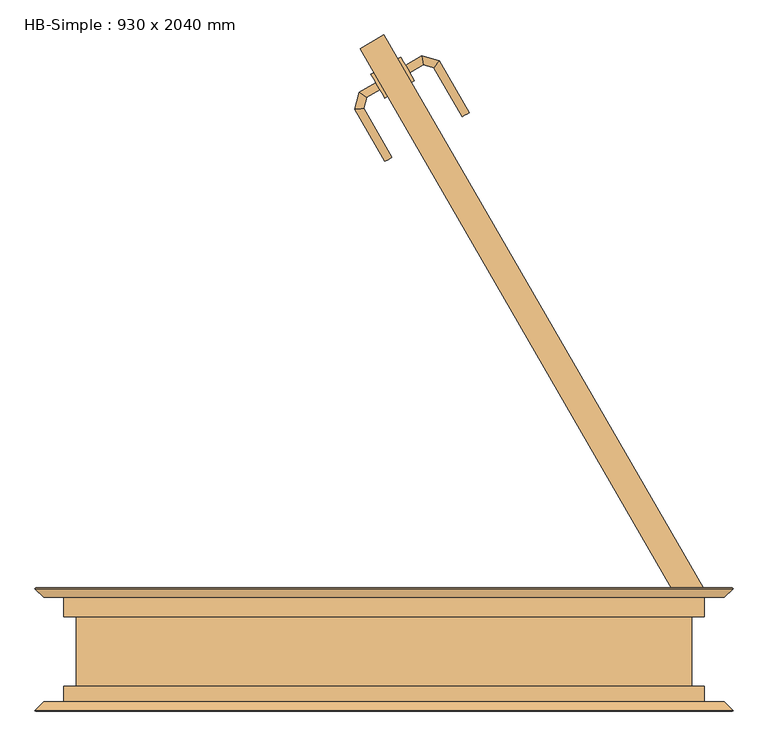
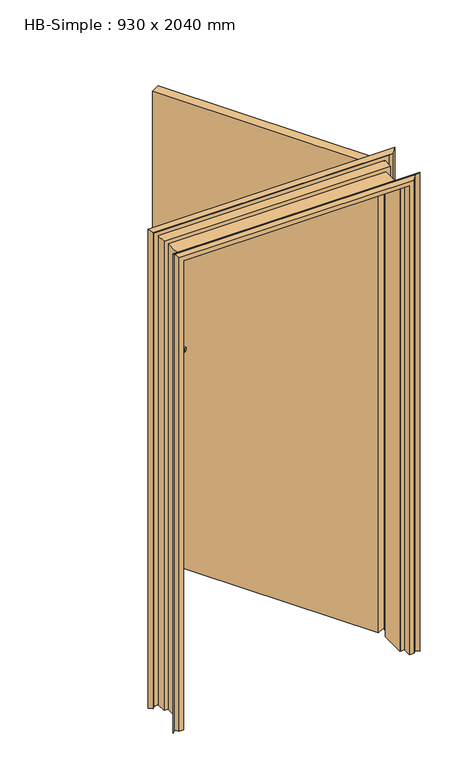
"""IFC4 building model written with IfcOpenShell, lengths in millimetres: door geometry, HB-Simple : 930 x 2040 mm."""

import ifcopenshell
import ifcopenshell.guid

model = None  # the IFC model being written
_history = None  # IfcOwnerHistory: only IFC2X3 demands one
_inside = {}  # id of a spatial element -> (the spatial element, [elements in it])
_under = {}  # id of a project, library or spatial element -> (it, [spatial elements below it])
_declared = {}  # id of a project -> (the project, [libraries it declares])
_typed = {}  # id of a type object -> (the type object, [elements of that type])
_made_of = {}  # id of a material, layer set ... -> (it, [elements and type objects made of it])


def new_model(schema):
    """Start an empty IFC model of exactly this schema.

    Asked for "IFC4X3", IfcOpenShell would pick the latest addendum, in which some entities
    have other attributes; the version numbers below select the first issue.
    IFC2X3 requires an IfcOwnerHistory on every rooted entity: one is made here for all.
    """
    global model, _history
    if schema == "IFC4X3":
        model = ifcopenshell.file(schema_version=(4, 3, 0, 0))
    else:
        model = ifcopenshell.file(schema=schema)
    _inside.clear()
    _under.clear()
    _declared.clear()
    _typed.clear()
    _made_of.clear()
    _history = None
    if model.schema == "IFC2X3":
        org = make("IfcOrganization", Name="unknown")
        user = make(
            "IfcPersonAndOrganization",
            ThePerson=make("IfcPerson", FamilyName="unknown"),
            TheOrganization=org,
        )
        app = make(
            "IfcApplication",
            ApplicationDeveloper=org,
            Version="unknown",
            ApplicationFullName="unknown",
            ApplicationIdentifier="unknown",
        )
        _history = make(
            "IfcOwnerHistory",
            OwningUser=user,
            OwningApplication=app,
            ChangeAction="ADDED",
            CreationDate=0,
        )
    return model


def make(cls, **values):
    """One entity of the class cls with the attributes given. An attribute that is None is left unset."""
    return model.create_entity(
        cls, **{name: value for name, value in values.items() if value is not None}
    )


def rooted(cls, **values):
    """An entity with a GlobalId (a new one), such as an element, a storey or a relation."""
    return make(cls, GlobalId=ifcopenshell.guid.new(), OwnerHistory=_history, **values)


def si_unit(unit_type, name, prefix=None):
    """IfcSIUnit, for example si_unit("LENGTHUNIT", "METRE", prefix="MILLI")."""
    return make("IfcSIUnit", UnitType=unit_type, Prefix=prefix, Name=name)


def assignment(units):
    """IfcUnitAssignment: the units of a project."""
    return None if units is None else make("IfcUnitAssignment", Units=units)


def point(xyz):
    """IfcCartesianPoint."""
    return None if xyz is None else make("IfcCartesianPoint", Coordinates=xyz)


def direction(xyz):
    """IfcDirection."""
    return None if xyz is None else make("IfcDirection", DirectionRatios=xyz)


def frame(location, z_axis=None, x_axis=None):
    """IfcAxis2Placement3D, a coordinate frame: its origin and axes. An axis left out is left unset."""
    return make(
        "IfcAxis2Placement3D",
        Location=point(location),
        Axis=direction(z_axis),
        RefDirection=direction(x_axis),
    )


def frame_2d(location, x_axis=None):
    """IfcAxis2Placement2D, a coordinate frame in the plane: its origin and x axis."""
    return make(
        "IfcAxis2Placement2D", Location=point(location), RefDirection=direction(x_axis)
    )


def origin():
    """The frame at (0, 0, 0) with its axes left unset."""
    return frame((0.0, 0.0, 0.0))


def place(relative_to, where):
    """IfcLocalPlacement: puts the frame where relative to a parent placement (None: the world)."""
    return make(
        "IfcLocalPlacement", PlacementRelTo=relative_to, RelativePlacement=where
    )


def context(
    kind, dimensions, precision=None, world=None, true_north=None, identifier=None
):
    """IfcGeometricRepresentationContext, for example the 3D "Model" context."""
    return make(
        "IfcGeometricRepresentationContext",
        ContextIdentifier=identifier,
        ContextType=kind,
        CoordinateSpaceDimension=dimensions,
        Precision=precision,
        WorldCoordinateSystem=world,
        TrueNorth=true_north,
    )


def project(units=None, contexts=None):
    """IfcProject with its units and contexts."""
    return rooted(
        "IfcProject",
        Name="project",
        RepresentationContexts=contexts,
        UnitsInContext=assignment(units),
    )


def spatial(cls, under=None, at=None, **own):
    """A site, building, storey or space (cls), placed at a placement, below another one or the project."""
    s = rooted(cls, ObjectPlacement=at, **own)
    if under is not None:
        _under.setdefault(under.id(), (under, []))[1].append(s)
    return s


def polyline(points):
    """IfcPolyline through the points."""
    return make("IfcPolyline", Points=[point(p) for p in points])


def circle_curve(where, radius):
    """IfcCircle in the frame where."""
    return make("IfcCircle", Position=where, Radius=radius)


def ellipse_curve(where, semi_axis1, semi_axis2):
    """IfcEllipse in the frame where."""
    return make(
        "IfcEllipse", Position=where, SemiAxis1=semi_axis1, SemiAxis2=semi_axis2
    )


def trimmed(basis, trim1, trim2, sense, master):
    """IfcTrimmedCurve: the piece of a basis curve between two trims."""
    return make(
        "IfcTrimmedCurve",
        BasisCurve=basis,
        Trim1=trim1,
        Trim2=trim2,
        SenseAgreement=sense,
        MasterRepresentation=master,
    )


def segment(curve, same_sense, transition):
    """IfcCompositeCurveSegment."""
    return make(
        "IfcCompositeCurveSegment",
        Transition=transition,
        SameSense=same_sense,
        ParentCurve=curve,
    )


def composite_curve(segments, self_intersect=None):
    """IfcCompositeCurve: segments joined end to end."""
    return make("IfcCompositeCurve", Segments=segments, SelfIntersect=self_intersect)


def outline(outer, holes=None, kind="AREA"):
    """IfcArbitraryClosedProfileDef: a profile drawn as a closed curve; with holes, ...WithVoids."""
    if holes is None:
        return make("IfcArbitraryClosedProfileDef", ProfileType=kind, OuterCurve=outer)
    return make(
        "IfcArbitraryProfileDefWithVoids",
        ProfileType=kind,
        OuterCurve=outer,
        InnerCurves=holes,
    )


def extrude(swept, where, along, depth):
    """IfcExtrudedAreaSolid: the profile swept, set in the frame where, extruded along a direction by depth."""
    return make(
        "IfcExtrudedAreaSolid",
        SweptArea=swept,
        Position=where,
        ExtrudedDirection=direction(along),
        Depth=depth,
    )


def faces_of(points, faces, orient=None, outer=None):
    """IfcFace entities. A face is a list of loops; a loop is a list of indices into points, from 0.

    orient and outer hold one flag for each loop. By default every Orientation is true, the
    first loop of a face is its IfcFaceOuterBound and the others are IfcFaceBound.
    """
    made = []
    for i, loops in enumerate(faces):
        bounds = []
        for j, loop in enumerate(loops):
            is_outer = j == 0 if outer is None else outer[i][j]
            bounds.append(
                make(
                    "IfcFaceOuterBound" if is_outer else "IfcFaceBound",
                    Bound=make("IfcPolyLoop", Polygon=[points[k] for k in loop]),
                    Orientation=True if orient is None else orient[i][j],
                )
            )
        made.append(make("IfcFace", Bounds=bounds))
    return made


def faceted_brep(points, faces, orient=None, outer=None, voids=None):
    """IfcFacetedBrep: a solid bounded by flat faces; with voids (closed shells), ...WithVoids."""
    shared = [point(p) for p in points]
    hull = make("IfcClosedShell", CfsFaces=faces_of(shared, faces, orient, outer))
    if voids is None:
        return make("IfcFacetedBrep", Outer=hull)
    return make(
        "IfcFacetedBrepWithVoids",
        Outer=hull,
        Voids=[
            make(cls, CfsFaces=faces_of(shared, fs, o, b)) for cls, fs, o, b in voids
        ],
    )


def shape(context_of_items, identifier, shape_type, items):
    """IfcShapeRepresentation: the items that make up one representation, for example the "Body"."""
    return make(
        "IfcShapeRepresentation",
        ContextOfItems=context_of_items,
        RepresentationIdentifier=identifier,
        RepresentationType=shape_type,
        Items=items,
    )


def source(mapping_origin, context_of_items, identifier, shape_type, items):
    """IfcRepresentationMap: a shape defined once, which mapped items show again and again."""
    return make(
        "IfcRepresentationMap",
        MappingOrigin=mapping_origin,
        MappedRepresentation=shape(context_of_items, identifier, shape_type, items),
    )


def transform(
    local_origin,
    x_axis=None,
    y_axis=None,
    z_axis=None,
    scale=None,
    scale2=None,
    scale3=None,
    uniform=True,
):
    """IfcCartesianTransformationOperator3D, or its non-uniform kind. x_axis, y_axis, z_axis: its Axis1, 2, 3."""
    if uniform:
        return make(
            "IfcCartesianTransformationOperator3D",
            Axis1=direction(x_axis),
            Axis2=direction(y_axis),
            LocalOrigin=point(local_origin),
            Scale=scale,
            Axis3=direction(z_axis),
        )
    return make(
        "IfcCartesianTransformationOperator3DnonUniform",
        Axis1=direction(x_axis),
        Axis2=direction(y_axis),
        LocalOrigin=point(local_origin),
        Scale=scale,
        Axis3=direction(z_axis),
        Scale2=scale2,
        Scale3=scale3,
    )


def mapped(mapping_source, mapping_target):
    """IfcMappedItem: shows the shape of a source again, moved by a transform."""
    return make(
        "IfcMappedItem", MappingSource=mapping_source, MappingTarget=mapping_target
    )


def made_of(thing, what):
    """Note that an element or type object is made of a material, layer set ...; save() writes the relation."""
    if what is not None:
        _made_of.setdefault(what.id(), (what, []))[1].append(thing)
    return thing


def element(
    cls,
    number,
    at=None,
    inside=None,
    cuts=None,
    type_object=None,
    material=None,
    context=None,
    identifier="Body",
    shape_type=None,
    held_by="IfcProductDefinitionShape",
    body=None,
    shapes=None,
    **own,
):
    """One element of the class cls, such as IfcWall. Its Tag is "e" and its number.

    at: its placement. inside: the storey or other place that contains it. cuts: it is an
    opening in that element (IfcRelVoidsElement). A single representation is given by context,
    identifier, shape_type and body (its items); several are given by shapes. held_by: the class
    of the entity that holds the representations. save() writes the other relations.
    """
    e = rooted(cls, Tag="e%d" % number, ObjectPlacement=at, **own)
    if body is not None:
        shapes = [shape(context, identifier, shape_type, body)]
    if shapes is not None:
        e.Representation = make(held_by, Representations=shapes)
    if inside is not None:
        _inside.setdefault(inside.id(), (inside, []))[1].append(e)
    if cuts is not None:
        rooted(
            "IfcRelVoidsElement", RelatingBuildingElement=cuts, RelatedOpeningElement=e
        )
    if type_object is not None:
        _typed.setdefault(type_object.id(), (type_object, []))[1].append(e)
    return made_of(e, material)


def aggregate(whole, parts):
    """IfcRelAggregates: a whole, such as a stair, and the parts it consists of."""
    return rooted("IfcRelAggregates", RelatingObject=whole, RelatedObjects=parts)


def save(model, path):
    """Write the relations noted so far, then the file.

    IfcRelAggregates (storeys below a building ...), IfcRelContainedInSpatialStructure (elements
    in a storey), IfcRelDefinesByType, IfcRelAssociatesMaterial and IfcRelDeclares: one each for
    every whole, place, type object, material and project.
    """
    for whole, parts in _under.values():
        aggregate(whole, parts)
    for where, things in _inside.values():
        rooted(
            "IfcRelContainedInSpatialStructure",
            RelatedElements=things,
            RelatingStructure=where,
        )
    for kind, things in _typed.values():
        rooted("IfcRelDefinesByType", RelatedObjects=things, RelatingType=kind)
    for what, things in _made_of.values():
        rooted("IfcRelAssociatesMaterial", RelatedObjects=things, RelatingMaterial=what)
    for by, libraries in _declared.values():
        rooted("IfcRelDeclares", RelatingContext=by, RelatedDefinitions=libraries)
    model.write(path)


def plane_surface(at):
    """IfcPlane: the flat surface through the origin of the frame at, square to its z axis."""
    return make("IfcPlane", Position=at)


def cylinder_surface(at, radius):
    """IfcCylindricalSurface: all points at the distance radius from the z axis of the frame at."""
    return make("IfcCylindricalSurface", Position=at, Radius=radius)


def advanced_brep(points, edges, surfaces, faces):
    """IfcAdvancedBrep: a solid bounded by faces that lie on surfaces and meet in shared edges.

    An edge is (start, end): straight between two places in points (the first is 0);
    or (start, end, curve); or (start, end, curve, False) where it runs against its curve.
    A face is (place in surfaces, loops), or (place, loops, False) where it looks against
    its surface's normal. A loop lists edges by number (the first is 1), with a minus sign
    where the edge is run from its end to its start. The first loop is the outer one.
    """
    corners = [point(p) for p in points]
    vertices = [make("IfcVertexPoint", VertexGeometry=c) for c in corners]
    made = []
    for start, end, *more in edges:
        made.append(
            make(
                "IfcEdgeCurve",
                EdgeStart=vertices[start],
                EdgeEnd=vertices[end],
                EdgeGeometry=more[0] if more else make("IfcPolyline", Points=[corners[start], corners[end]]),
                SameSense=more[1] if len(more) > 1 else True,
            )
        )
    hull = []
    for where, loops, *sense in faces:
        bounds = []
        for j, loop in enumerate(loops):
            ring = [make("IfcOrientedEdge", EdgeElement=made[abs(k) - 1], Orientation=k > 0) for k in loop]
            bounds.append(
                make(
                    "IfcFaceOuterBound" if j == 0 else "IfcFaceBound",
                    Bound=make("IfcEdgeLoop", EdgeList=ring),
                    Orientation=True,
                )
            )
        hull.append(make("IfcAdvancedFace", Bounds=bounds, FaceSurface=surfaces[where], SameSense=sense[0] if sense else True))
    return make("IfcAdvancedBrep", Outer=make("IfcClosedShell", CfsFaces=hull))


def hb_simple_930_x_2040_mm_a20efd39(model_context):
    return source(origin(), model_context, "Body", "SolidModel", [
        advanced_brep(
        [(-5.9711432, 815.7459489, 993.0), (-11.9711432, 826.1382537, 993.0), (-11.9711432, 826.1382537, 1007.0), (-5.9711432, 815.7459489, 1007.0), (-25.4439015, 804.5033466, 1007.0), (-25.4439015, 804.5033466, 993.0), (-35.7485351, 812.4103701, 1007.0), (-35.7485351, 812.4103701, 993.0), (-29.6478062, 788.8141605, 1007.0), (-29.6478062, 788.8141605, 993.0), (-42.5253925, 787.1187941, 1007.0), (-42.5253925, 787.1187941, 993.0), (11.6324449, 717.3146682, 993.0), (11.6324449, 717.3146682, 1007.0), (1.2401401, 711.3146682, 1007.0), (1.2401401, 711.3146682, 993.0)],
        [
            (0, 1, circle_curve(frame((-8.9711432, 820.9421013, 1013.0457722), z_axis=(0.8660254037844335, 0.500000000000009, 0.0), x_axis=(-0.500000000000009, 0.8660254037844335, 0.0)), 20.9244589)),
            (1, 2),
            (2, 3, circle_curve(frame((-8.9711432, 820.9421013, 986.9542278), z_axis=(0.8660254037844335, 0.500000000000009, 0.0), x_axis=(-0.500000000000009, 0.8660254037844335, 0.0)), 20.9244589)),
            (3, 0),
            (3, 4),
            (4, 5),
            (5, 0),
            (2, 6),
            (6, 4, ellipse_curve(frame((-30.5962183, 808.4568584, 986.9542278), z_axis=(0.6087614290086959, 0.793353340291254, 0.0), x_axis=(0.7933533402912544, -0.6087614290086957, 0.0)), 22.6484711, 20.9244589)),
            (1, 7),
            (7, 6),
            (5, 7, ellipse_curve(frame((-30.5962183, 808.4568584, 1013.0457722), z_axis=(0.6087614290086959, 0.793353340291254, 0.0), x_axis=(0.7933533402912544, -0.6087614290086957, 0.0)), 22.6484711, 20.9244589)),
            (4, 8),
            (8, 9),
            (9, 5),
            (6, 10),
            (10, 8, ellipse_curve(frame((-36.0865993, 787.9664773, 986.9542278), z_axis=(-0.13052619222008235, 0.9914448613738064, 0.0), x_axis=(0.9914448613738064, 0.1305261922200824, 0.0)), 22.6484711, 20.9244589)),
            (7, 11),
            (11, 10),
            (9, 11, ellipse_curve(frame((-36.0865993, 787.9664773, 1013.0457722), z_axis=(-0.13052619222008235, 0.9914448613738064, 0.0), x_axis=(0.9914448613738064, 0.1305261922200824, 0.0)), 22.6484711, 20.9244589)),
            (12, 13),
            (13, 14, circle_curve(frame((6.4362925, 714.3146682, 986.9542278), z_axis=(0.500000000000009, -0.8660254037844335, 0.0), x_axis=(-0.8660254037844335, -0.500000000000009, 0.0)), 20.9244589)),
            (14, 15),
            (15, 12, circle_curve(frame((6.4362925, 714.3146682, 1013.0457722), z_axis=(0.500000000000009, -0.8660254037844335, 0.0), x_axis=(-0.8660254037844335, -0.500000000000009, 0.0)), 20.9244589)),
            (8, 13),
            (12, 9),
            (10, 14),
            (11, 15),
        ],
        [
            plane_surface(frame((-13.5809154, 828.926461, 1000.0), z_axis=(0.8660254037844335, 0.500000000000009, 0.0), x_axis=(0.0, 0.0, 1.0))),
            plane_surface(frame((-5.9711432, 815.7459489, 993.0), z_axis=(0.500000000000009, -0.8660254037844335, 0.0), x_axis=(-0.8660254037844335, -0.500000000000009, 0.0))),
            cylinder_surface(frame((-8.9711432, 820.9421013, 986.9542278), z_axis=(0.8660254037844335, 0.500000000000009, 0.0), x_axis=(-0.500000000000009, 0.8660254037844335, 0.0)), 20.9244589),
            plane_surface(frame((-11.9711432, 826.1382537, 1007.0), z_axis=(-0.500000000000009, 0.8660254037844335, 0.0), x_axis=(-0.8660254037844335, -0.500000000000009, 0.0))),
            cylinder_surface(frame((-8.9711432, 820.9421013, 1013.0457722), z_axis=(0.8660254037844335, 0.500000000000009, 0.0), x_axis=(-0.500000000000009, 0.8660254037844335, 0.0)), 20.9244589),
            plane_surface(frame((-25.4439015, 804.5033466, 993.0), z_axis=(0.9659258262890817, -0.25881904510247083, 0.0), x_axis=(-0.25881904510247083, -0.9659258262890817, 0.0))),
            cylinder_surface(frame((-30.5962183, 808.4568584, 986.9542278), z_axis=(0.25881904510247083, 0.9659258262890817, 0.0), x_axis=(-0.9659258262890817, 0.25881904510247083, 0.0)), 20.9244589),
            plane_surface(frame((-35.7485351, 812.4103701, 1007.0), z_axis=(-0.9659258262890817, 0.258819045102471, 0.0), x_axis=(-0.258819045102471, -0.9659258262890817, 0.0))),
            cylinder_surface(frame((-30.5962183, 808.4568584, 1013.0457722), z_axis=(0.25881904510247083, 0.9659258262890817, 0.0), x_axis=(-0.9659258262890817, 0.25881904510247083, 0.0)), 20.9244589),
            plane_surface(frame((6.4362925, 714.3146682, 990.7804555), z_axis=(0.500000000000009, -0.8660254037844335, 0.0), x_axis=(-0.8660254037844335, -0.500000000000009, 0.0))),
            plane_surface(frame((-29.6478062, 788.8141605, 993.0), z_axis=(0.8660254037844335, 0.500000000000009, 0.0), x_axis=(0.500000000000009, -0.8660254037844335, 0.0))),
            cylinder_surface(frame((-36.0865993, 787.9664773, 986.9542278), z_axis=(-0.500000000000009, 0.8660254037844335, 0.0), x_axis=(-0.8660254037844335, -0.500000000000009, 0.0)), 20.9244589),
            plane_surface(frame((-42.5253925, 787.1187941, 1007.0), z_axis=(-0.8660254037844335, -0.500000000000009, 0.0), x_axis=(0.500000000000009, -0.8660254037844335, 0.0))),
            cylinder_surface(frame((-36.0865993, 787.9664773, 1013.0457722), z_axis=(-0.500000000000009, 0.8660254037844335, 0.0), x_axis=(-0.8660254037844335, -0.500000000000009, 0.0)), 20.9244589),
        ],
        [
            (0, [[1, 2, 3, 4]]),
            (1, [[5, 6, 7, -4]]),
            (2, [[8, 9, -5, -3]]),
            (3, [[10, 11, -8, -2]]),
            (4, [[-7, 12, -10, -1]]),
            (5, [[13, 14, 15, -6]]),
            (6, [[16, 17, -13, -9]]),
            (7, [[18, 19, -16, -11]]),
            (8, [[-15, 20, -18, -12]]),
            (9, [[21, 22, 23, 24]]),
            (10, [[25, -21, 26, -14]]),
            (11, [[27, -22, -25, -17]]),
            (12, [[28, -23, -27, -19]]),
            (13, [[-26, -24, -28, -20]]),
        ],
    ),
        advanced_brep(
        [(31.330127, 851.1382537, 1007.0), (31.330127, 851.1382537, 993.0), (37.330127, 840.7459489, 993.0), (37.330127, 840.7459489, 1007.0), (56.9719192, 852.0861428, 1007.0), (55.2765528, 864.9637291, 1007.0), (56.9719192, 852.0861428, 993.0), (55.2765528, 864.9637291, 993.0), (72.473265, 847.9325698, 1007.0), (80.3802885, 858.2372034, 1007.0), (72.473265, 847.9325698, 993.0), (80.3802885, 858.2372034, 993.0), (124.2010038, 782.337498, 1007.0), (113.8086989, 776.337498, 1007.0), (113.8086989, 776.337498, 993.0), (124.2010038, 782.337498, 993.0)],
        [
            (0, 1),
            (1, 2, circle_curve(frame((34.330127, 845.9421013, 1013.0457722), z_axis=(-0.8660254037844335, -0.500000000000009, 0.0), x_axis=(0.500000000000009, -0.8660254037844335, 0.0)), 20.9244589)),
            (2, 3),
            (3, 0, circle_curve(frame((34.330127, 845.9421013, 986.9542278), z_axis=(-0.8660254037844335, -0.500000000000009, 0.0), x_axis=(0.500000000000009, -0.8660254037844335, 0.0)), 20.9244589)),
            (3, 4),
            (4, 5, ellipse_curve(frame((56.124236, 858.524936, 986.9542278), z_axis=(-0.9914448613738118, -0.13052619222004097, 0.0), x_axis=(0.13052619222004114, -0.9914448613738118, 0.0)), 22.6484711, 20.9244589)),
            (5, 0),
            (2, 6),
            (6, 4),
            (1, 7),
            (7, 6, ellipse_curve(frame((56.124236, 858.524936, 1013.0457722), z_axis=(-0.9914448613738118, -0.13052619222004097, 0.0), x_axis=(0.13052619222004114, -0.9914448613738118, 0.0)), 22.6484711, 20.9244589)),
            (5, 7),
            (4, 8),
            (8, 9, ellipse_curve(frame((76.4267767, 853.0848866, 986.9542278), z_axis=(-0.7933533402912285, 0.6087614290087291, 0.0), x_axis=(-0.6087614290087299, -0.7933533402912281, 0.0)), 22.6484711, 20.9244589)),
            (9, 5),
            (6, 10),
            (10, 8),
            (7, 11),
            (11, 10, ellipse_curve(frame((76.4267767, 853.0848866, 1013.0457722), z_axis=(-0.7933533402912285, 0.6087614290087291, 0.0), x_axis=(-0.6087614290087299, -0.7933533402912281, 0.0)), 22.6484711, 20.9244589)),
            (9, 11),
            (12, 13, circle_curve(frame((119.0048513, 779.337498, 986.9542278), z_axis=(0.5000000000000088, -0.8660254037844336, 0.0), x_axis=(-0.8660254037844336, -0.5000000000000088, 0.0)), 20.9244589)),
            (13, 14),
            (14, 15, circle_curve(frame((119.0048513, 779.337498, 1013.0457722), z_axis=(0.5000000000000088, -0.8660254037844336, 0.0), x_axis=(-0.8660254037844336, -0.5000000000000088, 0.0)), 20.9244589)),
            (15, 12),
            (8, 13),
            (12, 9),
            (10, 14),
            (11, 15),
        ],
        [
            plane_surface(frame((29.7203548, 853.926461, 1000.0), z_axis=(-0.8660254037844335, -0.500000000000009, 0.0), x_axis=(0.0, 0.0, -1.0))),
            cylinder_surface(frame((34.330127, 845.9421013, 986.9542278), z_axis=(-0.8660254037844335, -0.500000000000009, 0.0), x_axis=(0.500000000000009, -0.8660254037844335, 0.0)), 20.9244589),
            plane_surface(frame((37.330127, 840.7459489, 1007.0), z_axis=(0.500000000000009, -0.8660254037844335, 0.0), x_axis=(0.8660254037844335, 0.500000000000009, 0.0))),
            cylinder_surface(frame((34.330127, 845.9421013, 1013.0457722), z_axis=(-0.8660254037844335, -0.500000000000009, 0.0), x_axis=(0.500000000000009, -0.8660254037844335, 0.0)), 20.9244589),
            plane_surface(frame((31.330127, 851.1382537, 993.0), z_axis=(-0.500000000000009, 0.8660254037844335, 0.0), x_axis=(0.8660254037844335, 0.500000000000009, 0.0))),
            cylinder_surface(frame((56.124236, 858.524936, 986.9542278), z_axis=(-0.96592582628906, 0.25881904510255144, 0.0), x_axis=(-0.25881904510255144, -0.96592582628906, 0.0)), 20.9244589),
            plane_surface(frame((56.9719192, 852.0861428, 1007.0), z_axis=(-0.25881904510255155, -0.9659258262890601, 0.0), x_axis=(0.9659258262890601, -0.25881904510255155, 0.0))),
            cylinder_surface(frame((56.124236, 858.524936, 1013.0457722), z_axis=(-0.96592582628906, 0.25881904510255144, 0.0), x_axis=(-0.25881904510255144, -0.96592582628906, 0.0)), 20.9244589),
            plane_surface(frame((55.2765528, 864.9637291, 993.0), z_axis=(0.25881904510255155, 0.9659258262890601, 0.0), x_axis=(0.9659258262890601, -0.25881904510255155, 0.0))),
            plane_surface(frame((119.0048513, 779.337498, 990.7804555), z_axis=(0.500000000000009, -0.8660254037844335, 0.0), x_axis=(-0.8660254037844335, -0.500000000000009, 0.0))),
            cylinder_surface(frame((76.4267767, 853.0848866, 986.9542278), z_axis=(-0.5000000000000088, 0.8660254037844336, 0.0), x_axis=(-0.8660254037844336, -0.5000000000000088, 0.0)), 20.9244589),
            plane_surface(frame((72.473265, 847.9325698, 1007.0), z_axis=(-0.8660254037844335, -0.500000000000009, 0.0), x_axis=(0.500000000000009, -0.8660254037844335, 0.0))),
            cylinder_surface(frame((76.4267767, 853.0848866, 1013.0457722), z_axis=(-0.5000000000000088, 0.8660254037844336, 0.0), x_axis=(-0.8660254037844336, -0.5000000000000088, 0.0)), 20.9244589),
            plane_surface(frame((80.3802885, 858.2372034, 993.0), z_axis=(0.8660254037844335, 0.500000000000009, 0.0), x_axis=(0.500000000000009, -0.8660254037844335, 0.0))),
        ],
        [
            (0, [[1, 2, 3, 4]]),
            (1, [[5, 6, 7, -4]]),
            (2, [[8, 9, -5, -3]]),
            (3, [[10, 11, -8, -2]]),
            (4, [[-7, 12, -10, -1]]),
            (5, [[13, 14, 15, -6]]),
            (6, [[16, 17, -13, -9]]),
            (7, [[18, 19, -16, -11]]),
            (8, [[-15, 20, -18, -12]]),
            (9, [[21, 22, 23, 24]]),
            (10, [[25, -21, 26, -14]]),
            (11, [[27, -22, -25, -17]]),
            (12, [[28, -23, -27, -19]]),
            (13, [[-26, -24, -28, -20]]),
        ],
    ),
        extrude(outline(composite_curve([segment(trimmed(circle_curve(frame_2d((0.0, 40.0)), 40.0), [point((-34.6410162, 20.0))], [point((-34.6410162, 60.0000001))], False, "CARTESIAN"), True, "CONTINUOUS"), segment(polyline([(-34.6410162, 60.0000001), (175.3589838, 60.0000001)]), True, "CONTINUOUS"), segment(trimmed(circle_curve(frame_2d((140.7179676, 40.0)), 40.0), [point((175.3589838, 60.0000001))], [point((175.3589838, 20.0))], False, "CARTESIAN"), True, "CONTINUOUS"), segment(polyline([(175.3589838, 20.0), (-34.6410162, 20.0)]), True, "CONTINUOUS")], self_intersect=False)), frame((11.0288568, 786.3010851, 1045.3589838), z_axis=(0.8660254037844319, 0.5000000000000118, 0.0), x_axis=(0.0, 0.0, -1.0)), (0.0, 0.0, 1.0), 5.0),
        extrude(outline(composite_curve([segment(trimmed(circle_curve(frame_2d((0.0, 40.0)), 40.0), [point((34.6410162, 60.0000001))], [point((34.6410162, 20.0))], False, "CARTESIAN"), True, "CONTINUOUS"), segment(polyline([(34.6410162, 20.0), (-175.3589838, 20.0)]), True, "CONTINUOUS"), segment(trimmed(circle_curve(frame_2d((-140.7179676, 40.0)), 40.0), [point((-175.3589838, 20.0))], [point((-175.3589838, 60.0000001))], False, "CARTESIAN"), True, "CONTINUOUS"), segment(polyline([(-175.3589838, 60.0000001), (34.6410162, 60.0000001)]), True, "CONTINUOUS")], self_intersect=False)), frame((50.0, 808.8010851, 904.6410162), z_axis=(0.8660254037844319, 0.5000000000000118, 0.0), x_axis=(0.0, 0.0, -1.0)), (0.0, 0.0, 1.0), 5.0),
        extrude(outline(polyline([(-34.6410162, 875.4036255), (0.0, 895.4036255), (465.0, 90.0), (430.3589838, 70.0), (-34.6410162, 875.4036255)])), frame((0.0, 0.0, 10.0), z_axis=(0.0, 0.0, 1.0), x_axis=(1.0, 0.0, 0.0)), (0.0, 0.0, 1.0), 2030.0),
        faceted_brep([(483.5, 90.0, 0.0), (495.5, 78.0, 0.0), (507.5, 90.0, 0.0), (508.5, 89.0, 0.0), (495.5, 76.0, 0.0), (483.5, 88.0, 0.0), (466.5, 88.0, 0.0), (466.5, 48.0, 0.0), (448.5, 48.0, 0.0), (448.5, -53.0, 0.0), (466.5, -53.0, 0.0), (466.5, -88.0, 0.0), (483.5, -88.0, 0.0), (495.5, -76.0, 0.0), (508.5, -89.0, 0.0), (507.5, -90.0, 0.0), (495.5, -78.0, 0.0), (483.5, -90.0, 0.0), (465.5794979, -90.0, 0.0), (465.0, -88.9205021, 0.0), (465.0, -55.0, 0.0), (447.4545286, -55.0, 0.0), (446.5, -54.0454714, 0.0), (446.5, 48.9813626, 0.0), (447.5186374, 50.0, 0.0), (465.0, 50.0, 0.0), (465.0, 88.9798135, 0.0), (465.5201865, 90.0, 0.0), (465.5201865, 90.0, 2040.5201865), (-465.5201865, 90.0, 2040.5201865), (-465.5201865, 90.0, 0.0), (-483.5, 90.0, 0.0), (-483.5, 90.0, 2058.5), (483.5, 90.0, 2058.5), (465.0, 88.9798135, 2040.0), (465.0, 50.0, 2040.0), (447.5186374, 50.0, 2022.5186374), (-447.5186374, 50.0, 2022.5186374), (-447.5186374, 50.0, 0.0), (-465.0, 50.0, 0.0), (-465.0, 50.0, 2040.0), (446.5, 48.9813626, 2021.5), (446.5, -54.0454714, 2021.5), (447.4545286, -55.0, 2022.4545286), (465.0, -55.0, 2040.0), (-465.0, -55.0, 2040.0), (-465.0, -55.0, 0.0), (-447.4545286, -55.0, 0.0), (-447.4545286, -55.0, 2022.4545286), (465.0, -88.9205021, 2040.0), (465.5794979, -90.0, 2040.5794979), (483.5, -90.0, 2058.5), (-483.5, -90.0, 2058.5), (-483.5, -90.0, 0.0), (-465.5794979, -90.0, 0.0), (-465.5794979, -90.0, 2040.5794979), (495.5, -78.0, 2070.5), (507.5, -90.0, 2082.5), (508.5, -89.0, 2083.5), (495.5, -76.0, 2070.5), (483.5, -88.0, 2058.5), (466.5, -88.0, 2041.5), (-466.5, -88.0, 2041.5), (-466.5, -88.0, 0.0), (-483.5, -88.0, 0.0), (-483.5, -88.0, 2058.5), (466.5, -53.0, 2041.5), (448.5, -53.0, 2023.5), (-448.5, -53.0, 2023.5), (-448.5, -53.0, 0.0), (-466.5, -53.0, 0.0), (-466.5, -53.0, 2041.5), (448.5, 48.0, 2023.5), (466.5, 48.0, 2041.5), (-466.5, 48.0, 2041.5), (-466.5, 48.0, 0.0), (-448.5, 48.0, 0.0), (-448.5, 48.0, 2023.5), (466.5, 88.0, 2041.5), (483.5, 88.0, 2058.5), (-483.5, 88.0, 2058.5), (-483.5, 88.0, 0.0), (-466.5, 88.0, 0.0), (-466.5, 88.0, 2041.5), (495.5, 76.0, 2070.5), (508.5, 89.0, 2083.5), (507.5, 90.0, 2082.5), (495.5, 78.0, 2070.5), (-465.0, 88.9798135, 0.0), (-446.5, 48.9813626, 0.0), (-446.5, -54.0454714, 0.0), (-465.0, -88.9205021, 0.0), (-495.5, -78.0, 0.0), (-507.5, -90.0, 0.0), (-508.5, -89.0, 0.0), (-495.5, -76.0, 0.0), (-495.5, 76.0, 0.0), (-508.5, 89.0, 0.0), (-507.5, 90.0, 0.0), (-495.5, 78.0, 0.0), (-495.5, 78.0, 2070.5), (-507.5, 90.0, 2082.5), (-508.5, 89.0, 2083.5), (-495.5, 76.0, 2070.5), (-495.5, -76.0, 2070.5), (-508.5, -89.0, 2083.5), (-507.5, -90.0, 2082.5), (-495.5, -78.0, 2070.5), (-465.0, -88.9205021, 2040.0), (-446.5, -54.0454714, 2021.5), (-446.5, 48.9813626, 2021.5), (-465.0, 88.9798135, 2040.0)], [[[0, 1, 2, 3, 4, 5, 6, 7, 8, 9, 10, 11, 12, 13, 14, 15, 16, 17, 18, 19, 20, 21, 22, 23, 24, 25, 26, 27]], [[27, 28, 29, 30, 31, 32, 33, 0]], [[26, 34, 28, 27]], [[25, 35, 34, 26]], [[24, 36, 37, 38, 39, 40, 35, 25]], [[23, 41, 36, 24]], [[22, 42, 41, 23]], [[21, 43, 42, 22]], [[20, 44, 45, 46, 47, 48, 43, 21]], [[19, 49, 44, 20]], [[18, 50, 49, 19]], [[17, 51, 52, 53, 54, 55, 50, 18]], [[16, 56, 51, 17]], [[15, 57, 56, 16]], [[14, 58, 57, 15]], [[13, 59, 58, 14]], [[12, 60, 59, 13]], [[11, 61, 62, 63, 64, 65, 60, 12]], [[10, 66, 61, 11]], [[9, 67, 68, 69, 70, 71, 66, 10]], [[8, 72, 67, 9]], [[7, 73, 74, 75, 76, 77, 72, 8]], [[6, 78, 73, 7]], [[5, 79, 80, 81, 82, 83, 78, 6]], [[4, 84, 79, 5]], [[3, 85, 84, 4]], [[2, 86, 85, 3]], [[1, 87, 86, 2]], [[0, 33, 87, 1]], [[31, 30, 88, 39, 38, 89, 90, 47, 46, 91, 54, 53, 92, 93, 94, 95, 64, 63, 70, 69, 76, 75, 82, 81, 96, 97, 98, 99]], [[32, 31, 99, 100]], [[100, 99, 98, 101]], [[101, 98, 97, 102]], [[102, 97, 96, 103]], [[103, 96, 81, 80]], [[83, 82, 75, 74]], [[77, 76, 69, 68]], [[71, 70, 63, 62]], [[65, 64, 95, 104]], [[104, 95, 94, 105]], [[105, 94, 93, 106]], [[106, 93, 92, 107]], [[107, 92, 53, 52]], [[55, 54, 91, 108]], [[108, 91, 46, 45]], [[48, 47, 90, 109]], [[109, 90, 89, 110]], [[110, 89, 38, 37]], [[40, 39, 88, 111]], [[111, 88, 30, 29]], [[35, 40, 111, 34]], [[42, 109, 110, 41]], [[49, 108, 45, 44]], [[66, 71, 62, 61]], [[72, 77, 68, 67]], [[78, 83, 74, 73]], [[34, 111, 29, 28]], [[41, 110, 37, 36]], [[43, 48, 109, 42]], [[50, 55, 108, 49]], [[56, 107, 52, 51]], [[57, 106, 107, 56]], [[58, 105, 106, 57]], [[59, 104, 105, 58]], [[60, 65, 104, 59]], [[84, 103, 80, 79]], [[85, 102, 103, 84]], [[86, 101, 102, 85]], [[87, 100, 101, 86]], [[33, 32, 100, 87]]]),
    ])


if __name__ == "__main__":
    model = new_model("IFC4")
    model_context = context("Model", 3, world=origin())
    ifc_project = project(units=[si_unit("LENGTHUNIT", "METRE", prefix="MILLI")], contexts=[model_context])
    site = spatial("IfcSite", under=ifc_project)
    building = spatial("IfcBuilding", under=site)
    placement = place(None, origin())
    hb_simple_930_x_2040_mm_shape = hb_simple_930_x_2040_mm_a20efd39(model_context)
    element("IfcDoor", 1, ObjectType="HB-Simple : 930 x 2040 mm", at=placement, inside=building, context=model_context, shape_type="MappedRepresentation", body=[
        mapped(hb_simple_930_x_2040_mm_shape, transform((0.0, 0.0, 0.0), x_axis=(1.0, 0.0, 0.0), y_axis=(0.0, 1.0, 0.0), z_axis=(0.0, 0.0, 1.0))),
    ])
    save(model, "model.ifc")
